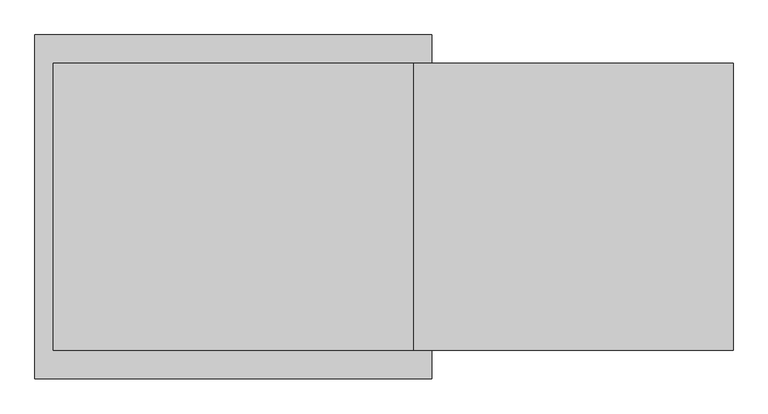
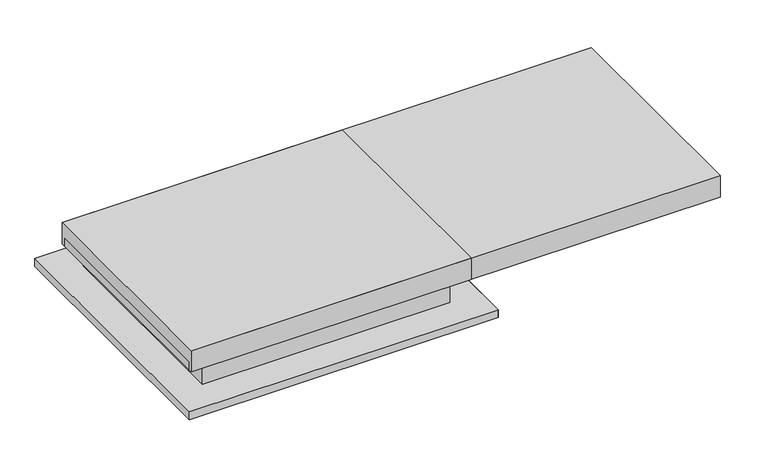
"""IFC4 building model written with IfcOpenShell, lengths in millimetres: proxy geometry."""

import ifcopenshell
import ifcopenshell.guid

model = None  # the IFC model being written
_history = None  # IfcOwnerHistory: only IFC2X3 demands one
_inside = {}  # id of a spatial element -> (the spatial element, [elements in it])
_under = {}  # id of a project, library or spatial element -> (it, [spatial elements below it])
_declared = {}  # id of a project -> (the project, [libraries it declares])
_typed = {}  # id of a type object -> (the type object, [elements of that type])
_made_of = {}  # id of a material, layer set ... -> (it, [elements and type objects made of it])


def new_model(schema):
    """Start an empty IFC model of exactly this schema.

    Asked for "IFC4X3", IfcOpenShell would pick the latest addendum, in which some entities
    have other attributes; the version numbers below select the first issue.
    IFC2X3 requires an IfcOwnerHistory on every rooted entity: one is made here for all.
    """
    global model, _history
    if schema == "IFC4X3":
        model = ifcopenshell.file(schema_version=(4, 3, 0, 0))
    else:
        model = ifcopenshell.file(schema=schema)
    _inside.clear()
    _under.clear()
    _declared.clear()
    _typed.clear()
    _made_of.clear()
    _history = None
    if model.schema == "IFC2X3":
        org = make("IfcOrganization", Name="unknown")
        user = make(
            "IfcPersonAndOrganization",
            ThePerson=make("IfcPerson", FamilyName="unknown"),
            TheOrganization=org,
        )
        app = make(
            "IfcApplication",
            ApplicationDeveloper=org,
            Version="unknown",
            ApplicationFullName="unknown",
            ApplicationIdentifier="unknown",
        )
        _history = make(
            "IfcOwnerHistory",
            OwningUser=user,
            OwningApplication=app,
            ChangeAction="ADDED",
            CreationDate=0,
        )
    return model


def make(cls, **values):
    """One entity of the class cls with the attributes given. An attribute that is None is left unset."""
    return model.create_entity(
        cls, **{name: value for name, value in values.items() if value is not None}
    )


def rooted(cls, **values):
    """An entity with a GlobalId (a new one), such as an element, a storey or a relation."""
    return make(cls, GlobalId=ifcopenshell.guid.new(), OwnerHistory=_history, **values)


def si_unit(unit_type, name, prefix=None):
    """IfcSIUnit, for example si_unit("LENGTHUNIT", "METRE", prefix="MILLI")."""
    return make("IfcSIUnit", UnitType=unit_type, Prefix=prefix, Name=name)


def assignment(units):
    """IfcUnitAssignment: the units of a project."""
    return None if units is None else make("IfcUnitAssignment", Units=units)


def point(xyz):
    """IfcCartesianPoint."""
    return None if xyz is None else make("IfcCartesianPoint", Coordinates=xyz)


def direction(xyz):
    """IfcDirection."""
    return None if xyz is None else make("IfcDirection", DirectionRatios=xyz)


def frame(location, z_axis=None, x_axis=None):
    """IfcAxis2Placement3D, a coordinate frame: its origin and axes. An axis left out is left unset."""
    return make(
        "IfcAxis2Placement3D",
        Location=point(location),
        Axis=direction(z_axis),
        RefDirection=direction(x_axis),
    )


def origin():
    """The frame at (0, 0, 0) with its axes left unset."""
    return frame((0.0, 0.0, 0.0))


def place(relative_to, where):
    """IfcLocalPlacement: puts the frame where relative to a parent placement (None: the world)."""
    return make(
        "IfcLocalPlacement", PlacementRelTo=relative_to, RelativePlacement=where
    )


def context(
    kind, dimensions, precision=None, world=None, true_north=None, identifier=None
):
    """IfcGeometricRepresentationContext, for example the 3D "Model" context."""
    return make(
        "IfcGeometricRepresentationContext",
        ContextIdentifier=identifier,
        ContextType=kind,
        CoordinateSpaceDimension=dimensions,
        Precision=precision,
        WorldCoordinateSystem=world,
        TrueNorth=true_north,
    )


def project(units=None, contexts=None):
    """IfcProject with its units and contexts."""
    return rooted(
        "IfcProject",
        Name="project",
        RepresentationContexts=contexts,
        UnitsInContext=assignment(units),
    )


def spatial(cls, under=None, at=None, **own):
    """A site, building, storey or space (cls), placed at a placement, below another one or the project."""
    s = rooted(cls, ObjectPlacement=at, **own)
    if under is not None:
        _under.setdefault(under.id(), (under, []))[1].append(s)
    return s


def polyline(points):
    """IfcPolyline through the points."""
    return make("IfcPolyline", Points=[point(p) for p in points])


def outline(outer, holes=None, kind="AREA"):
    """IfcArbitraryClosedProfileDef: a profile drawn as a closed curve; with holes, ...WithVoids."""
    if holes is None:
        return make("IfcArbitraryClosedProfileDef", ProfileType=kind, OuterCurve=outer)
    return make(
        "IfcArbitraryProfileDefWithVoids",
        ProfileType=kind,
        OuterCurve=outer,
        InnerCurves=holes,
    )


def extrude(swept, where, along, depth):
    """IfcExtrudedAreaSolid: the profile swept, set in the frame where, extruded along a direction by depth."""
    return make(
        "IfcExtrudedAreaSolid",
        SweptArea=swept,
        Position=where,
        ExtrudedDirection=direction(along),
        Depth=depth,
    )


def faces_of(points, faces, orient=None, outer=None):
    """IfcFace entities. A face is a list of loops; a loop is a list of indices into points, from 0.

    orient and outer hold one flag for each loop. By default every Orientation is true, the
    first loop of a face is its IfcFaceOuterBound and the others are IfcFaceBound.
    """
    made = []
    for i, loops in enumerate(faces):
        bounds = []
        for j, loop in enumerate(loops):
            is_outer = j == 0 if outer is None else outer[i][j]
            bounds.append(
                make(
                    "IfcFaceOuterBound" if is_outer else "IfcFaceBound",
                    Bound=make("IfcPolyLoop", Polygon=[points[k] for k in loop]),
                    Orientation=True if orient is None else orient[i][j],
                )
            )
        made.append(make("IfcFace", Bounds=bounds))
    return made


def faceted_brep(points, faces, orient=None, outer=None, voids=None):
    """IfcFacetedBrep: a solid bounded by flat faces; with voids (closed shells), ...WithVoids."""
    shared = [point(p) for p in points]
    hull = make("IfcClosedShell", CfsFaces=faces_of(shared, faces, orient, outer))
    if voids is None:
        return make("IfcFacetedBrep", Outer=hull)
    return make(
        "IfcFacetedBrepWithVoids",
        Outer=hull,
        Voids=[
            make(cls, CfsFaces=faces_of(shared, fs, o, b)) for cls, fs, o, b in voids
        ],
    )


def shape(context_of_items, identifier, shape_type, items):
    """IfcShapeRepresentation: the items that make up one representation, for example the "Body"."""
    return make(
        "IfcShapeRepresentation",
        ContextOfItems=context_of_items,
        RepresentationIdentifier=identifier,
        RepresentationType=shape_type,
        Items=items,
    )


def source(mapping_origin, context_of_items, identifier, shape_type, items):
    """IfcRepresentationMap: a shape defined once, which mapped items show again and again."""
    return make(
        "IfcRepresentationMap",
        MappingOrigin=mapping_origin,
        MappedRepresentation=shape(context_of_items, identifier, shape_type, items),
    )


def transform(
    local_origin,
    x_axis=None,
    y_axis=None,
    z_axis=None,
    scale=None,
    scale2=None,
    scale3=None,
    uniform=True,
):
    """IfcCartesianTransformationOperator3D, or its non-uniform kind. x_axis, y_axis, z_axis: its Axis1, 2, 3."""
    if uniform:
        return make(
            "IfcCartesianTransformationOperator3D",
            Axis1=direction(x_axis),
            Axis2=direction(y_axis),
            LocalOrigin=point(local_origin),
            Scale=scale,
            Axis3=direction(z_axis),
        )
    return make(
        "IfcCartesianTransformationOperator3DnonUniform",
        Axis1=direction(x_axis),
        Axis2=direction(y_axis),
        LocalOrigin=point(local_origin),
        Scale=scale,
        Axis3=direction(z_axis),
        Scale2=scale2,
        Scale3=scale3,
    )


def mapped(mapping_source, mapping_target):
    """IfcMappedItem: shows the shape of a source again, moved by a transform."""
    return make(
        "IfcMappedItem", MappingSource=mapping_source, MappingTarget=mapping_target
    )


def made_of(thing, what):
    """Note that an element or type object is made of a material, layer set ...; save() writes the relation."""
    if what is not None:
        _made_of.setdefault(what.id(), (what, []))[1].append(thing)
    return thing


def element(
    cls,
    number,
    at=None,
    inside=None,
    cuts=None,
    type_object=None,
    material=None,
    context=None,
    identifier="Body",
    shape_type=None,
    held_by="IfcProductDefinitionShape",
    body=None,
    shapes=None,
    **own,
):
    """One element of the class cls, such as IfcWall. Its Tag is "e" and its number.

    at: its placement. inside: the storey or other place that contains it. cuts: it is an
    opening in that element (IfcRelVoidsElement). A single representation is given by context,
    identifier, shape_type and body (its items); several are given by shapes. held_by: the class
    of the entity that holds the representations. save() writes the other relations.
    """
    e = rooted(cls, Tag="e%d" % number, ObjectPlacement=at, **own)
    if body is not None:
        shapes = [shape(context, identifier, shape_type, body)]
    if shapes is not None:
        e.Representation = make(held_by, Representations=shapes)
    if inside is not None:
        _inside.setdefault(inside.id(), (inside, []))[1].append(e)
    if cuts is not None:
        rooted(
            "IfcRelVoidsElement", RelatingBuildingElement=cuts, RelatedOpeningElement=e
        )
    if type_object is not None:
        _typed.setdefault(type_object.id(), (type_object, []))[1].append(e)
    return made_of(e, material)


def aggregate(whole, parts):
    """IfcRelAggregates: a whole, such as a stair, and the parts it consists of."""
    return rooted("IfcRelAggregates", RelatingObject=whole, RelatedObjects=parts)


def save(model, path):
    """Write the relations noted so far, then the file.

    IfcRelAggregates (storeys below a building ...), IfcRelContainedInSpatialStructure (elements
    in a storey), IfcRelDefinesByType, IfcRelAssociatesMaterial and IfcRelDeclares: one each for
    every whole, place, type object, material and project.
    """
    for whole, parts in _under.values():
        aggregate(whole, parts)
    for where, things in _inside.values():
        rooted(
            "IfcRelContainedInSpatialStructure",
            RelatedElements=things,
            RelatingStructure=where,
        )
    for kind, things in _typed.values():
        rooted("IfcRelDefinesByType", RelatedObjects=things, RelatingType=kind)
    for what, things in _made_of.values():
        rooted("IfcRelAssociatesMaterial", RelatedObjects=things, RelatingMaterial=what)
    for by, libraries in _declared.values():
        rooted("IfcRelDeclares", RelatingContext=by, RelatedDefinitions=libraries)
    model.write(path)


def specialty_equipment_318cdf54(model_context):
    return source(origin(), model_context, "Body", "SolidModel", [
        extrude(outline(polyline([(-1304.0, 109.0), (-1310.0, 109.0), (-1310.0, 159.0), (-1260.0, 159.0), (-1260.0, 153.0), (-1304.0, 153.0), (-1304.0, 109.0)])), frame((-1041.0, 0.0, 0.0), z_axis=(1.0, 0.0, 0.0), x_axis=(0.0, 1.0, 0.0)), (0.0, 0.0, 1.0), 1202.0),
        extrude(outline(polyline([(-296.0, 109.0), (-296.0, 153.0), (-340.0, 153.0), (-340.0, 159.0), (-290.0, 159.0), (-290.0, 109.0), (-296.0, 109.0)])), frame((-1041.0, 0.0, 0.0), z_axis=(1.0, 0.0, 0.0), x_axis=(0.0, 1.0, 0.0)), (0.0, 0.0, 1.0), 1202.0),
        extrude(outline(polyline([(159.0, -1041.0), (159.0, -1091.0), (153.0, -1091.0), (153.0, -1047.0), (109.0, -1047.0), (109.0, -1041.0), (159.0, -1041.0)])), frame((0.0, -1310.0, 0.0), z_axis=(0.0, 1.0, 0.0), x_axis=(0.0, 0.0, 1.0)), (0.0, 0.0, 1.0), 1020.0),
        extrude(outline(polyline([(159.0, 161.0), (109.0, 161.0), (109.0, 167.0), (153.0, 167.0), (153.0, 211.0), (159.0, 211.0), (159.0, 161.0)])), frame((0.0, -1310.0, 0.0), z_axis=(0.0, 1.0, 0.0), x_axis=(0.0, 0.0, 1.0)), (0.0, 0.0, 1.0), 1020.0),
        extrude(outline(polyline([(-257.5, 226.0), (-257.5, 116.0), (-273.5, 116.0), (-273.5, 159.0), (-1326.5, 159.0), (-1326.5, 116.0), (-1342.5, 116.0), (-1342.5, 226.0), (-257.5, 226.0)])), frame((-1120.0, 0.0, 0.0), z_axis=(1.0, 0.0, 0.0), x_axis=(0.0, 1.0, 0.0)), (0.0, 0.0, 1.0), 1360.0),
        faceted_brep([(-1041.0, -299.0, 153.0), (-1041.0, -299.0, 1.0), (-1041.0, -1301.0, 1.0), (-1041.0, -1301.0, 153.0), (-1040.0, -300.0, 153.0), (-1040.0, -1300.0, 153.0), (-1040.0, -1300.0, 0.0), (-1040.0, -300.0, 0.0), (161.0, -1301.0, 1.0), (161.0, -1301.0, 153.0), (160.0, -1300.0, 153.0), (160.0, -1300.0, 0.0), (161.0, -299.0, 153.0), (161.0, -299.0, 1.0), (160.0, -300.0, 153.0), (160.0, -300.0, 0.0), (310.0, -150.0, 1.0), (-1190.0, -150.0, 1.0), (-1190.0, -1450.0, 1.0), (310.0, -1450.0, 1.0), (309.0, -151.0, 0.0), (309.0, -1449.0, 0.0), (-1189.0, -1449.0, 0.0), (-1189.0, -151.0, 0.0), (310.0, -150.0, -39.0), (-1190.0, -150.0, -39.0), (-1190.0, -1450.0, -39.0), (310.0, -1450.0, -39.0), (309.0, -151.0, -39.0), (-1189.0, -151.0, -39.0), (-1189.0, -1449.0, -39.0), (309.0, -1449.0, -39.0)], [[[0, 1, 2, 3]], [[4, 5, 6, 7]], [[3, 2, 8, 9]], [[5, 10, 11, 6]], [[1, 0, 12, 13]], [[14, 4, 7, 15]], [[16, 17, 18, 19], [2, 1, 13, 8]], [[20, 21, 22, 23], [15, 7, 6, 11]], [[17, 16, 24, 25]], [[18, 17, 25, 26]], [[19, 18, 26, 27]], [[24, 16, 19, 27]], [[24, 27, 26, 25], [28, 29, 30, 31]], [[28, 31, 21, 20]], [[31, 30, 22, 21]], [[30, 29, 23, 22]], [[29, 28, 20, 23]], [[9, 8, 13, 12]], [[0, 3, 9, 12], [5, 4, 14, 10]], [[10, 14, 15, 11]]]),
        extrude(outline(polyline([(1450.0, -257.5), (1450.0, -1342.5), (-1120.0, -1342.5), (-1120.0, -257.5), (1450.0, -257.5)])), frame((0.0, 0.0, 116.0), z_axis=(0.0, 0.0, 1.0), x_axis=(1.0, 0.0, 0.0)), (0.0, 0.0, 1.0), 110.0),
    ])


if __name__ == "__main__":
    model = new_model("IFC4")
    model_context = context("Model", 3, world=origin())
    ifc_project = project(units=[si_unit("LENGTHUNIT", "METRE", prefix="MILLI")], contexts=[model_context])
    site = spatial("IfcSite", under=ifc_project)
    building = spatial("IfcBuilding", under=site)
    placement = place(None, origin())
    specialty_equipment_shape = specialty_equipment_318cdf54(model_context)
    element("IfcBuildingElementProxy", 1, Name="Specialty Equipment", at=placement, inside=building, context=model_context, shape_type="MappedRepresentation", body=[
        mapped(specialty_equipment_shape, transform((0.0, 0.0, 0.0), x_axis=(1.0, 0.0, 0.0), y_axis=(0.0, 1.0, 0.0), z_axis=(0.0, 0.0, 1.0))),
    ])
    save(model, "model.ifc")
